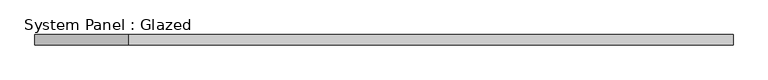
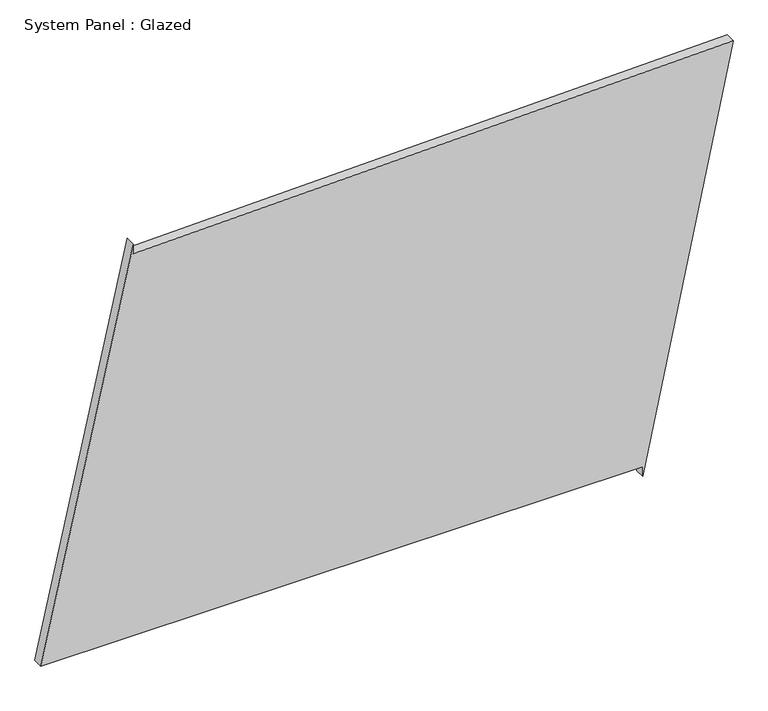
"""IFC4 building model written with IfcOpenShell, lengths in millimetres: plate geometry, System Panel : Glazed."""

from ifc_helpers import new_model, si_unit, frame, origin, place, context, project, spatial, polyline, outline, extrude, source, transform, mapped, element, save


def system_panel_glazed_ab6e2147(model_context):
    return source(origin(), model_context, "Body", "SweptSolid", [
        extrude(outline(polyline([(25.0, 635.3014639), (0.0, 635.3014639), (1065.2964648, 859.550974), (1027.7670656, -629.3103228), (1052.7591271, -629.9402922), (25.0, -859.550974), (25.0, 635.3014639)])), frame((0.0, -49.5, 0.0), z_axis=(0.0, 1.0, 0.0), x_axis=(0.0, 0.0, 1.0)), (0.0, 0.0, 1.0), 25.0),
    ])


if __name__ == "__main__":
    model = new_model("IFC4")
    model_context = context("Model", 3, world=origin())
    ifc_project = project(units=[si_unit("LENGTHUNIT", "METRE", prefix="MILLI")], contexts=[model_context])
    site = spatial("IfcSite", under=ifc_project)
    building = spatial("IfcBuilding", under=site)
    placement = place(None, origin())
    system_panel_glazed_shape = system_panel_glazed_ab6e2147(model_context)
    element("IfcPlate", 1, ObjectType="System Panel : Glazed", at=placement, inside=building, context=model_context, shape_type="MappedRepresentation", body=[
        mapped(system_panel_glazed_shape, transform((0.0, 0.0, 0.0), x_axis=(1.0, 0.0, 0.0), y_axis=(0.0, 1.0, 0.0), z_axis=(0.0, 0.0, 1.0))),
    ])
    save(model, "model.ifc")
